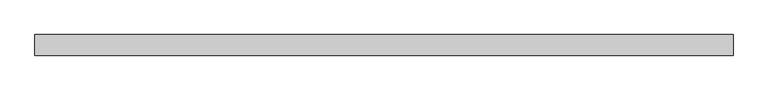
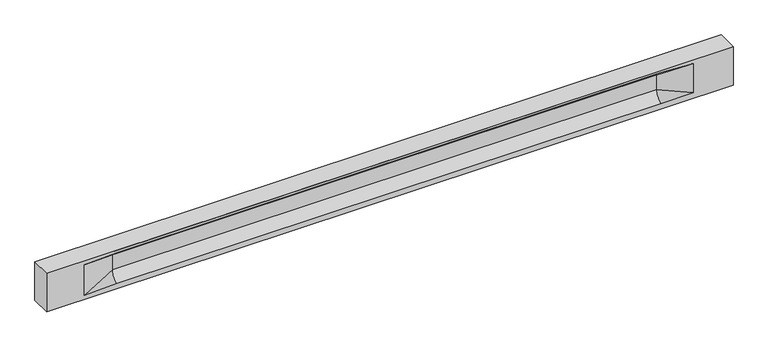
"""IFC4 building model written with IfcOpenShell, lengths in millimetres: beam geometry."""

from ifc_helpers import new_model, si_unit, frame, origin, place, context, project, spatial, polyline, circle_curve, source, transform, mapped, element, save
from ifc_brep_helpers import plane_surface, revolved_surface, spline_surface, advanced_brep


def beam_15227459(model_context):
    return source(origin(), model_context, "Body", "AdvancedBrep", [
        advanced_brep(
        [(8445.5, -250.0, 500.0), (8445.5, -250.0, -500.0), (8445.5, 250.0, -500.0), (8445.5, 250.0, 500.0), (-8445.5, -250.0, 500.0), (-8445.5, -250.0, -500.0), (7470.5, -250.0, -362.0), (6670.5, -250.0, -360.0), (-6715.5, -250.0, -360.0), (-7515.5, -250.0, -400.0), (-7515.5, -250.0, 400.0), (-6715.5, -250.0, 435.0), (6670.5, -250.0, 435.0), (7470.5, -250.0, 400.0), (-8445.5, 250.0, -500.0), (-8445.5, 250.0, 500.0), (7470.5, 250.0, 400.0), (6670.5, 250.0, 435.0), (-6715.5, 250.0, 435.0), (-7515.5, 250.0, 400.0), (-7515.5, 250.0, -400.0), (-6715.5, 250.0, -360.0), (6670.5, 250.0, -360.0), (7470.5, 250.0, -362.0), (6670.5, 155.0, 405.0), (-6715.5, 155.0, 405.0), (6670.5, 60.0, 262.777021), (-6715.5, 60.0, 262.777021), (6670.5, 60.0, -120.0), (-6715.5, 60.0, -120.0), (6670.5, -60.0, -120.0), (-6715.5, -60.0, -120.0), (6670.5, -60.0, 262.777021), (-6715.5, -60.0, 262.777021), (6670.5, -155.0, 405.0), (-6715.5, -155.0, 405.0)],
        [
            (0, 1),
            (1, 2),
            (2, 3),
            (3, 0),
            (0, 4),
            (4, 5),
            (5, 1),
            (6, 7),
            (7, 8),
            (8, 9),
            (9, 10),
            (10, 11),
            (11, 12),
            (12, 13),
            (13, 6),
            (5, 14),
            (14, 2),
            (14, 15),
            (15, 3),
            (16, 17),
            (17, 18),
            (18, 19),
            (19, 20),
            (20, 21),
            (21, 22),
            (22, 23),
            (23, 16),
            (15, 4),
            (17, 24),
            (24, 25),
            (25, 18),
            (24, 26, circle_curve(frame((6670.5, 213.9598725, 262.777021), z_axis=(1.0, 0.0, 0.0), x_axis=(0.0, 1.0, 0.0)), 153.9598725)),
            (26, 27),
            (27, 25, circle_curve(frame((-6715.5, 213.9598725, 262.777021), z_axis=(-1.0, 0.0, 0.0), x_axis=(0.0, 1.0, 0.0)), 153.9598725)),
            (26, 28),
            (28, 29),
            (29, 27),
            (28, 22, circle_curve(frame((6670.5, 306.5789474, -120.0), z_axis=(1.0, 0.0, 0.0), x_axis=(0.0, 1.0, 0.0)), 246.5789474)),
            (21, 29, circle_curve(frame((-6715.5, 306.5789474, -120.0), z_axis=(-1.0, 0.0, 0.0), x_axis=(0.0, 1.0, 0.0)), 246.5789474)),
            (7, 30, circle_curve(frame((6670.5, -306.5789474, -120.0), z_axis=(1.0, 0.0, 0.0), x_axis=(0.0, 1.0, 0.0)), 246.5789474)),
            (30, 31),
            (31, 8, circle_curve(frame((-6715.5, -306.5789474, -120.0), z_axis=(-1.0, 0.0, 0.0), x_axis=(0.0, 1.0, 0.0)), 246.5789474)),
            (30, 32),
            (32, 33),
            (33, 31),
            (32, 34, circle_curve(frame((6670.5, -213.9598725, 262.777021), z_axis=(1.0, 0.0, 0.0), x_axis=(0.0, 1.0, 0.0)), 153.9598725)),
            (34, 35),
            (35, 33, circle_curve(frame((-6715.5, -213.9598725, 262.777021), z_axis=(-1.0, 0.0, 0.0), x_axis=(0.0, 1.0, 0.0)), 153.9598725)),
            (34, 12),
            (11, 35),
            (27, 19),
            (19, 25),
            (10, 35),
            (10, 33),
            (9, 31),
            (20, 29),
            (34, 13),
            (32, 13),
            (30, 6),
            (28, 23),
            (26, 16),
            (24, 16),
        ],
        [
            plane_surface(frame((8445.5, 0.0, 0.0), z_axis=(1.0, 0.0, 0.0), x_axis=(0.0, 0.0, 1.0))),
            plane_surface(frame((8445.5, -250.0, 500.0), z_axis=(0.0, -1.0, 0.0), x_axis=(-1.0, 0.0, 0.0))),
            plane_surface(frame((8445.5, -250.0, -500.0), z_axis=(0.0, 0.0, -1.0), x_axis=(-1.0, 0.0, 0.0))),
            plane_surface(frame((8445.5, 250.0, -500.0), z_axis=(0.0, 1.0, 0.0), x_axis=(-1.0, 0.0, 0.0))),
            plane_surface(frame((8445.5, 250.0, 500.0), z_axis=(0.0, 0.0, 1.0), x_axis=(-1.0, 0.0, 0.0))),
            plane_surface(frame((-6715.5, 250.0, 435.0), z_axis=(0.0, 0.30113136793710954, -0.9535826651341378), x_axis=(1.0, 0.0, 0.0))),
            revolved_surface(polyline([(6670.5, 367.919745, 262.777021), (-6715.5, 367.919745, 262.777021)]), (-6715.5, 213.9598725, 262.777021), (1.0, 0.0, 0.0)),
            plane_surface(frame((-6715.5, 60.0, 262.777021), z_axis=(0.0, 1.0, 0.0), x_axis=(1.0, 0.0, 0.0))),
            revolved_surface(polyline([(6670.5, 553.1578948, -120.0), (-6715.5, 553.1578948, -120.0)]), (-6715.5, 306.5789474, -120.0), (1.0, 0.0, 0.0)),
            revolved_surface(polyline([(6670.5, -60.0, -120.0), (-6715.5, -60.0, -120.0)]), (-6715.5, -306.5789474, -120.0), (1.0, 0.0, 0.0)),
            plane_surface(frame((-6715.5, -60.0, -120.0), z_axis=(0.0, -1.0, 0.0), x_axis=(1.0, 0.0, 0.0))),
            revolved_surface(polyline([(6670.5, -60.0, 262.777021), (-6715.5, -60.0, 262.777021)]), (-6715.5, -213.9598725, 262.777021), (1.0, 0.0, 0.0)),
            plane_surface(frame((-6715.5, -155.0, 405.0), z_axis=(0.0, -0.30113136793710693, -0.9535826651341387), x_axis=(1.0, 0.0, 0.0))),
            spline_surface(2, 1, [[(-7515.5, 250.0, 400.0), (-6715.5, 60.0, 262.777021)], [(-7515.5, 250.0, 400.0), (-6715.5, 59.99999995452379, 365.6168572954922)], [(-7515.5, 250.0, 400.0), (-6715.5, 155.0, 405.0)]], [3, 3], [2, 2], [0.0, 1.0], [0.0, 1.0], weights=[[1.0, 1.0], [0.8315515921160737, 0.8315515921160737], [1.0, 1.0]]),
            plane_surface(frame((-7515.5, 250.0, 400.0), z_axis=(0.041682982855687944, 0.30086965068766386, -0.9527538938442265), x_axis=(0.0, 0.9535826651341378, 0.30113136793710954))),
            plane_surface(frame((-7515.5, -250.0, 400.0), z_axis=(0.041682982855687965, -0.30086965068766125, -0.9527538938442274), x_axis=(0.0, 0.9535826651341387, -0.30113136793710693))),
            spline_surface(2, 1, [[(-7515.5, -250.0, 400.0), (-6715.5, -155.0, 405.0)], [(-7515.5, -250.0, 400.0), (-6715.5, -60.00000008030692, 365.6168572114734)], [(-7515.5, -250.0, 400.0), (-6715.5, -60.0, 262.777021)]], [3, 3], [2, 2], [0.0, 1.0], [0.0, 1.0], weights=[[1.0, 1.0], [0.8315515924557569, 0.8315515924557569], [1.0, 1.0]]),
            plane_surface(frame((-7515.5, -250.0, 0.0), z_axis=(0.23107243079590054, -0.9729365507195594, 0.0), x_axis=(0.0, 0.0, -1.0))),
            spline_surface(2, 1, [[(-7515.5, -250.0, -400.0), (-6715.5, -60.0, -120.0)], [(-7515.5, -250.0, -400.0), (-6715.5, -59.99999998020837, -315.20833333333337)], [(-7515.5, -250.0, -400.0), (-6715.5, -250.0, -360.0)]], [3, 3], [2, 2], [0.0, 1.0], [0.0, 1.0], weights=[[1.0, 1.0], [0.7840458244617614, 0.7840458244617614], [1.0, 1.0]]),
            spline_surface(2, 1, [[(-7515.5, 250.0, -400.0), (-6715.5, 250.0, -360.0)], [(-7515.5, 250.0, -400.0), (-6715.5, 60.00000002887427, -315.20833329480604)], [(-7515.5, 250.0, -400.0), (-6715.5, 60.0, -120.0)]], [3, 3], [2, 2], [0.0, 1.0], [0.0, 1.0], weights=[[1.0, 1.0], [0.7840458245391329, 0.7840458245391329], [1.0, 1.0]]),
            plane_surface(frame((-7515.5, 250.0, 0.0), z_axis=(0.23107243079589623, 0.9729365507195604, 0.0), x_axis=(0.0, 0.0, 1.0))),
            plane_surface(frame((-8445.5, 0.0, 0.0), z_axis=(-1.0, 0.0, 0.0), x_axis=(0.0, 0.0, 1.0))),
            plane_surface(frame((6670.5, -202.5, 420.0), z_axis=(-0.041682982855687396, -0.30086965068766125, -0.9527538938442274), x_axis=(0.0, 0.9535826651341387, -0.30113136793710693))),
            spline_surface(2, 1, [[(6670.5, -155.0, 405.0), (7470.5, -250.0, 400.0)], [(6670.5, -60.00000008030692, 365.6168572114734), (7470.5, -250.0, 400.0)], [(6670.5, -60.0, 262.777021), (7470.5, -250.0, 400.0)]], [3, 3], [2, 2], [0.0, 1.0], [0.0, 1.0], weights=[[1.0, 1.0], [0.8315515924557569, 0.8315515924557569], [1.0, 1.0]]),
            plane_surface(frame((6670.5, -60.0, 71.3885105), z_axis=(-0.23107243079589707, -0.9729365507195603, 0.0), x_axis=(0.0, 0.0, -1.0))),
            spline_surface(2, 1, [[(6670.5, -60.0, -120.0), (7470.5, -250.0, -362.0)], [(6670.5, -59.99999998020837, -315.20833333333337), (7470.5, -250.0, -362.0)], [(6670.5, -250.0, -360.0), (7470.5, -250.0, -362.0)]], [3, 3], [2, 2], [0.0, 1.0], [0.0, 1.0], weights=[[1.0, 1.0], [0.7840458244617614, 0.7840458244617614], [1.0, 1.0]]),
            spline_surface(2, 1, [[(6670.5, 250.0, -360.0), (7470.5, 250.0, -362.0)], [(6670.5, 60.00000002887427, -315.20833329480604), (7470.5, 250.0, -362.0)], [(6670.5, 60.0, -120.0), (7470.5, 250.0, -362.0)]], [3, 3], [2, 2], [0.0, 1.0], [0.0, 1.0], weights=[[1.0, 1.0], [0.7840458245391329, 0.7840458245391329], [1.0, 1.0]]),
            plane_surface(frame((6670.5, 60.0, 71.3885105), z_axis=(-0.23107243079589063, 0.9729365507195618, 0.0), x_axis=(0.0, 0.0, 1.0))),
            spline_surface(2, 1, [[(6670.5, 60.0, 262.777021), (7470.5, 250.0, 400.0)], [(6670.5, 59.99999995452379, 365.6168572954922), (7470.5, 250.0, 400.0)], [(6670.5, 155.0, 405.0), (7470.5, 250.0, 400.0)]], [3, 3], [2, 2], [0.0, 1.0], [0.0, 1.0], weights=[[1.0, 1.0], [0.8315515921160737, 0.8315515921160737], [1.0, 1.0]]),
            plane_surface(frame((6670.5, 202.5, 420.0), z_axis=(-0.04168298285568666, 0.30086965068766386, -0.9527538938442265), x_axis=(0.0, 0.9535826651341378, 0.30113136793710954))),
        ],
        [
            (0, [[1, 2, 3, 4]]),
            (1, [[-1, 5, 6, 7], [8, 9, 10, 11, 12, 13, 14, 15]]),
            (2, [[-2, -7, 16, 17]]),
            (3, [[-3, -17, 18, 19], [20, 21, 22, 23, 24, 25, 26, 27]]),
            (4, [[-5, -4, -19, 28]]),
            (5, [[-21, 29, 30, 31]]),
            (6, [[-30, 32, 33, 34]]),
            (7, [[-33, 35, 36, 37]]),
            (8, [[-36, 38, -25, 39]]),
            (9, [[-9, 40, 41, 42]]),
            (10, [[-41, 43, 44, 45]]),
            (11, [[-44, 46, 47, 48]]),
            (12, [[-47, 49, -13, 50]]),
            (13, [[51, 52, -34]]),
            (14, [[-52, -22, -31]]),
            (15, [[-12, 53, -50]]),
            (16, [[-53, 54, -48]]),
            (17, [[-54, -11, 55, -45]]),
            (18, [[-55, -10, -42]]),
            (19, [[-24, 56, -39]]),
            (20, [[-51, -37, -56, -23]]),
            (21, [[-28, -18, -16, -6]]),
            (22, [[-14, -49, 57]]),
            (23, [[-57, -46, 58]]),
            (24, [[-58, -43, 59, -15]]),
            (25, [[-59, -40, -8]]),
            (26, [[-26, -38, 60]]),
            (27, [[-60, -35, 61, -27]]),
            (28, [[-61, -32, 62]]),
            (29, [[-62, -29, -20]]),
        ],
    ),
    ])


if __name__ == "__main__":
    model = new_model("IFC4")
    model_context = context("Model", 3, world=origin())
    ifc_project = project(units=[si_unit("LENGTHUNIT", "METRE", prefix="MILLI")], contexts=[model_context])
    site = spatial("IfcSite", under=ifc_project)
    building = spatial("IfcBuilding", under=site)
    placement = place(None, origin())
    beam_shape = beam_15227459(model_context)
    element("IfcBeam", 1, at=placement, inside=building, context=model_context, shape_type="MappedRepresentation", body=[
        mapped(beam_shape, transform((0.0, 0.0, 0.0), x_axis=(1.0, 0.0, 0.0), y_axis=(0.0, 1.0, 0.0), z_axis=(0.0, 0.0, 1.0))),
    ])
    save(model, "model.ifc")
